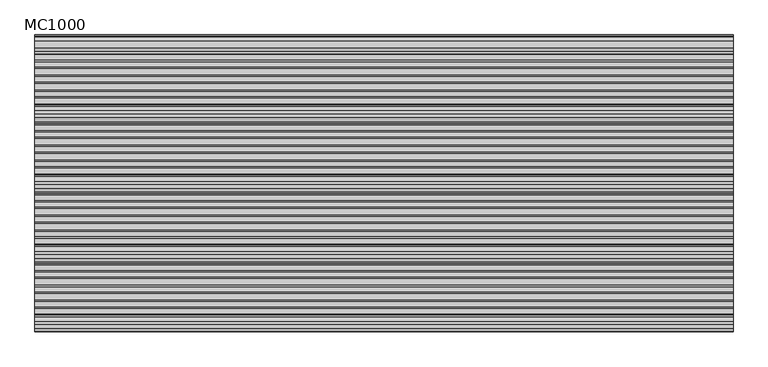
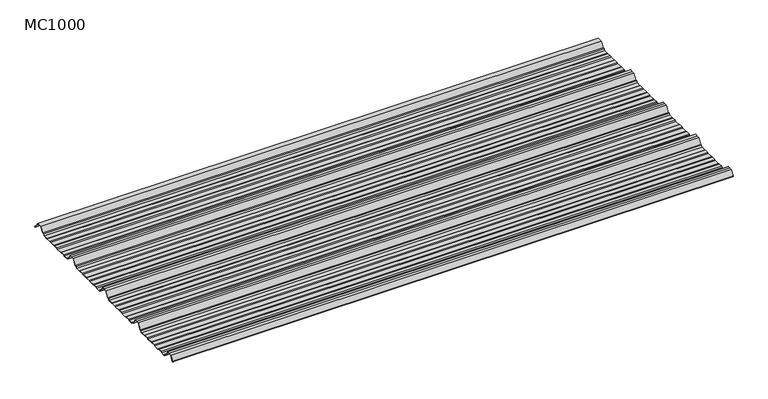
"""IFC4 building model written with IfcOpenShell, lengths in millimetres: beam geometry, MC1000."""

from ifc_helpers import new_model, si_unit, point, frame, frame_2d, origin, place, context, project, spatial, polyline, circle_curve, trimmed, segment, composite_curve, outline, extrude, source, transform, mapped, element, save


def mc1000_ea471e2e(model_context):
    return source(origin(), model_context, "Body", "SweptSolid", [
        extrude(outline(composite_curve([segment(polyline([(-187.0338322, -23.7896472), (-192.5, -25.7896478), (-213.5, -25.7896478), (-217.6210251, -19.1370213), (-222.9746775, -19.1370213), (-238.0568616, 5.2103522), (-250.0, 5.2103522), (-261.9431384, 5.2103522), (-277.0253225, -19.1370213), (-282.3789749, -19.1370213), (-286.5, -25.7896478), (-307.5, -25.7896478), (-312.9661678, -23.7896476), (-330.9151087, -23.7896476), (-336.3812767, -25.7896478), (-360.5593616, -25.7896478), (-366.0255296, -23.7896476), (-383.97447, -23.7896476), (-389.4406384, -25.7896478), (-413.6187233, -25.7896478), (-419.0848913, -23.7896476), (-437.0338322, -23.7896476), (-442.5, -25.7896478), (-463.5, -25.7896478), (-467.6210251, -19.1370213), (-472.9746775, -19.1370213), (-488.0568616, 5.2103522), (-500.0, 5.2103522), (-511.9431384, 5.2103522), (-527.0253225, -19.1370213), (-532.3789749, -19.1370213), (-536.5, -25.7896478), (-557.5, -25.7896478), (-562.9661678, -23.789648), (-580.9151087, -23.789648), (-586.3812767, -25.7896482), (-610.5593616, -25.7896482), (-616.0255296, -23.7896476), (-633.97447, -23.7896476), (-639.4406384, -25.7896478), (-663.6187233, -25.7896478), (-669.0848913, -23.7896476), (-687.0338322, -23.7896476), (-692.5, -25.7896478), (-713.5, -25.7896478), (-717.6210251, -19.1370213), (-722.9746775, -19.1370213), (-738.0568616, 5.2103522), (-750.0, 5.2103522), (-761.9431384, 5.2103522), (-777.0253225, -19.1370213), (-782.3789749, -19.1370213), (-786.5, -25.7896478), (-807.5, -25.7896478), (-812.9661678, -23.7896476), (-830.9151087, -23.7896476), (-836.3812767, -25.7896478), (-860.5593616, -25.7896478), (-866.0255296, -23.7896476), (-883.97447, -23.7896476), (-889.4406384, -25.7896478), (-913.6187233, -25.7896478), (-919.0848913, -23.7896476), (-937.0338322, -23.7896476), (-942.5, -25.7896478), (-963.5, -25.7896478), (-967.6210251, -19.1370213), (-972.9746775, -19.1370213), (-988.0568616, 5.2103522), (-1000.0, 5.2103522), (-1011.9431384, 5.2103522), (-1025.3430666, -16.4213329)]), True, "CONTINUOUS"), segment(trimmed(circle_curve(frame_2d((-1025.768121, -16.1580294)), 0.5), [point((-1025.3430666, -16.4213329))], [point((-1026.1931754, -15.8947259))], False, "CARTESIAN"), True, "CONTINUOUS"), segment(polyline([(-1026.1931754, -15.8947259), (-1012.5, 6.2103522), (-1000.0, 6.2103522), (-987.5, 6.2103522), (-972.4178159, -18.1370213), (-967.0641635, -18.1370213), (-962.9431384, -24.7896478), (-942.6771992, -24.7896478), (-937.2110314, -22.7896476), (-918.9076926, -22.7896476), (-913.4415242, -24.7896478), (-889.6178376, -24.7896478), (-884.1516696, -22.7896478), (-865.8483309, -22.7896478), (-860.3821624, -24.7896478), (-836.5584758, -24.7896478), (-831.0923074, -22.7896476), (-812.7889686, -22.7896476), (-807.3228008, -24.7896478), (-787.0568616, -24.7896478), (-782.9358365, -18.1370213), (-777.5821841, -18.1370213), (-762.5, 6.2103522), (-750.0, 6.2103522), (-737.5, 6.2103522), (-722.4178159, -18.1370213), (-717.0641635, -18.1370213), (-712.9431384, -24.7896478), (-692.6771992, -24.7896478), (-687.2110314, -22.7896476), (-668.9076926, -22.7896476), (-663.4415242, -24.7896478), (-639.6178376, -24.7896478), (-634.1516696, -22.7896478), (-615.8483309, -22.7896478), (-610.3821624, -24.7896482), (-586.5584758, -24.7896482), (-581.0923074, -22.789648), (-562.7889686, -22.789648), (-557.3228008, -24.7896478), (-537.0568616, -24.7896478), (-532.9358365, -18.1370213), (-527.5821841, -18.1370213), (-512.5, 6.2103522), (-500.0, 6.2103522), (-487.5, 6.2103522), (-472.4178159, -18.1370213), (-467.0641635, -18.1370213), (-462.9431384, -24.7896478), (-442.6771992, -24.7896478), (-437.2110314, -22.7896476), (-418.9076926, -22.7896476), (-413.4415242, -24.7896478), (-389.6178376, -24.7896478), (-384.1516696, -22.7896478), (-365.8483309, -22.7896478), (-360.3821624, -24.7896478), (-336.5584758, -24.7896478), (-331.0923074, -22.7896476), (-312.7889686, -22.7896476), (-307.3228008, -24.7896478), (-287.0568616, -24.7896478), (-282.9358365, -18.1370213), (-277.5821841, -18.1370213), (-262.5, 6.2103522), (-250.0, 6.2103522), (-237.5, 6.2103522), (-222.4178159, -18.1370213), (-217.0641635, -18.1370213), (-212.9431384, -24.7896478), (-192.6771992, -24.7896478), (-187.2110314, -22.7896472), (-168.9076926, -22.7896472), (-163.4415242, -24.7896475), (-139.6178376, -24.7896475), (-134.1516696, -22.7896474), (-115.8483309, -22.7896474), (-110.3821624, -24.7896475), (-86.5584758, -24.7896475), (-81.0923074, -22.7896476), (-62.7889686, -22.7896476), (-57.3228008, -24.7896478), (-37.0568616, -24.7896478), (-32.9358365, -18.1370213), (-25.2295442, -18.1370213), (-11.3862768, 4.2103522), (11.3862768, 4.2103522), (26.4684609, -20.1370213), (31.8221133, -20.1370213), (33.8767469, -23.4538441)]), True, "CONTINUOUS"), segment(trimmed(circle_curve(frame_2d((33.4516925, -23.7171476)), 0.5), [point((33.8767469, -23.4538441))], [point((33.0266381, -23.9804511))], False, "CARTESIAN"), True, "CONTINUOUS"), segment(polyline([(33.0266381, -23.9804511), (31.2652517, -21.1370213), (25.9115993, -21.1370213), (10.8294152, 3.2103522), (-10.8294152, 3.2103522), (-24.6726825, -19.1370213), (-32.3789749, -19.1370213), (-36.5, -25.7896478), (-57.5, -25.7896478), (-62.9661678, -23.7896476), (-80.9151087, -23.7896476), (-86.3812767, -25.7896475), (-110.5593616, -25.7896475), (-116.0255296, -23.7896472), (-133.97447, -23.7896472), (-139.4406384, -25.7896475), (-163.6187233, -25.7896475), (-169.0848913, -23.7896472), (-187.0338322, -23.7896472)]), True, "CONTINUOUS")], self_intersect=False)), frame((-1245.9142142, 0.0, 0.0), z_axis=(1.0, 0.0, 0.0), x_axis=(0.0, 1.0, 0.0)), (0.0, 0.0, 1.0), 2491.8284283),
    ])


if __name__ == "__main__":
    model = new_model("IFC4")
    model_context = context("Model", 3, world=origin())
    ifc_project = project(units=[si_unit("LENGTHUNIT", "METRE", prefix="MILLI")], contexts=[model_context])
    site = spatial("IfcSite", under=ifc_project)
    building = spatial("IfcBuilding", under=site)
    placement = place(None, origin())
    mc1000_shape = mc1000_ea471e2e(model_context)
    element("IfcBeam", 1, ObjectType="MC1000", at=placement, inside=building, context=model_context, shape_type="MappedRepresentation", body=[
        mapped(mc1000_shape, transform((0.0, 0.0, 0.0), x_axis=(1.0, 0.0, 0.0), y_axis=(0.0, 1.0, 0.0), z_axis=(0.0, 0.0, 1.0))),
    ])
    save(model, "model.ifc")
